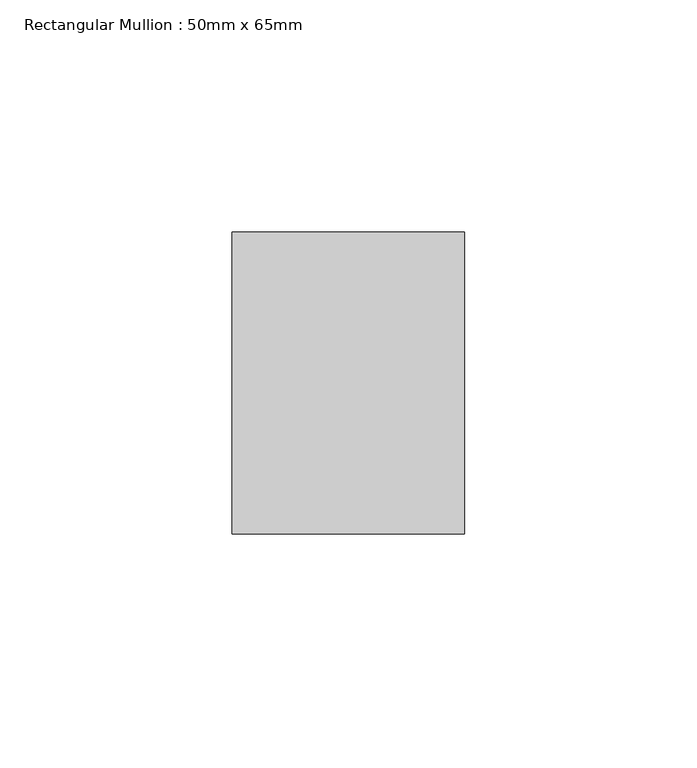
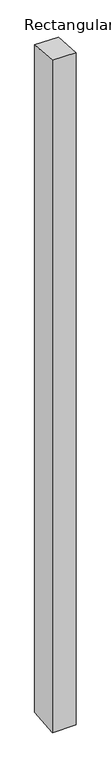
"""IFC4 building model written with IfcOpenShell, lengths in millimetres: member geometry, Rectangular Mullion : 50mm x 65mm."""

from ifc_helpers import new_model, si_unit, origin, place, context, project, spatial, faceted_brep, source, transform, mapped, element, save


def rectangular_mullion_50mm_x_65mm_7abbc067(model_context):
    return source(origin(), model_context, "Body", "Brep", [
        faceted_brep([(-25.0, 32.5, -2.4319591), (25.0, 32.5, -2.4319401), (25.0, 32.5, -1497.0088855), (-25.0, 32.5, -1497.0088622), (-25.0, -32.5, 2.4319401), (-25.0, -32.5, -1502.9911744), (25.0, -32.5, 2.4319591), (25.0, -32.5, -1502.9911978)], [[[0, 1, 2, 3]], [[4, 0, 3, 5]], [[6, 4, 5, 7]], [[1, 6, 7, 2]], [[1, 0, 4, 6]], [[2, 7, 5, 3]]]),
    ])


if __name__ == "__main__":
    model = new_model("IFC4")
    model_context = context("Model", 3, world=origin())
    ifc_project = project(units=[si_unit("LENGTHUNIT", "METRE", prefix="MILLI")], contexts=[model_context])
    site = spatial("IfcSite", under=ifc_project)
    building = spatial("IfcBuilding", under=site)
    placement = place(None, origin())
    rectangular_mullion_50mm_x_65mm_shape = rectangular_mullion_50mm_x_65mm_7abbc067(model_context)
    element("IfcMember", 1, ObjectType="Rectangular Mullion : 50mm x 65mm", at=placement, inside=building, context=model_context, shape_type="MappedRepresentation", body=[
        mapped(rectangular_mullion_50mm_x_65mm_shape, transform((0.0, 0.0, 0.0), x_axis=(1.0, 0.0, 0.0), y_axis=(0.0, 1.0, 0.0), z_axis=(0.0, 0.0, 1.0))),
    ])
    save(model, "model.ifc")
